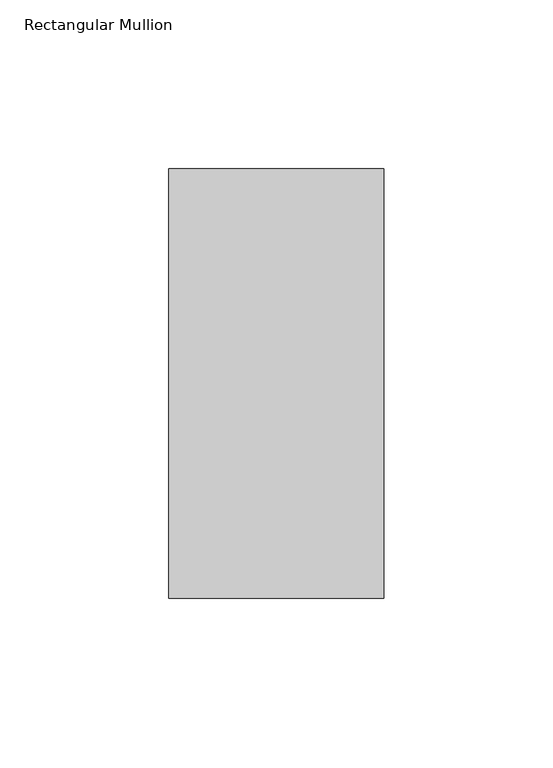
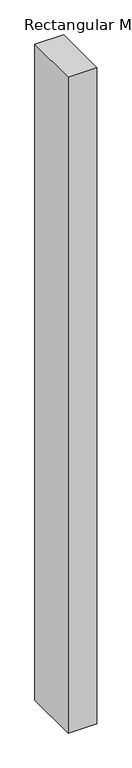
"""IFC4 building model written with IfcOpenShell, lengths in millimetres: member geometry, Rectangular Mullion."""

from ifc_helpers import new_model, si_unit, frame, origin, place, context, project, spatial, polyline, outline, extrude, source, transform, mapped, element, save


def rectangular_mullion_5f7be2bc(model_context):
    return source(origin(), model_context, "Body", "SweptSolid", [
        extrude(outline(polyline([(-31.7684923, -63.5), (-31.7684923, 63.5), (31.7609665, 63.5), (31.7609665, -63.5), (-31.7684923, -63.5)])), frame((0.0, 0.0, -1529.5555443), z_axis=(0.0, 0.0, 1.0), x_axis=(1.0, 0.0, 0.0)), (0.0, 0.0, 1.0), 1529.5555443),
    ])


if __name__ == "__main__":
    model = new_model("IFC4")
    model_context = context("Model", 3, world=origin())
    ifc_project = project(units=[si_unit("LENGTHUNIT", "METRE", prefix="MILLI")], contexts=[model_context])
    site = spatial("IfcSite", under=ifc_project)
    building = spatial("IfcBuilding", under=site)
    placement = place(None, origin())
    rectangular_mullion_shape = rectangular_mullion_5f7be2bc(model_context)
    element("IfcMember", 1, ObjectType="Rectangular Mullion", at=placement, inside=building, context=model_context, shape_type="MappedRepresentation", body=[
        mapped(rectangular_mullion_shape, transform((0.0, 0.0, 0.0), x_axis=(1.0, 0.0, 0.0), y_axis=(0.0, 1.0, 0.0), z_axis=(0.0, 0.0, 1.0))),
    ])
    save(model, "model.ifc")
